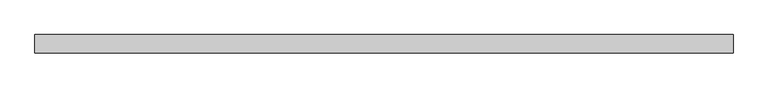
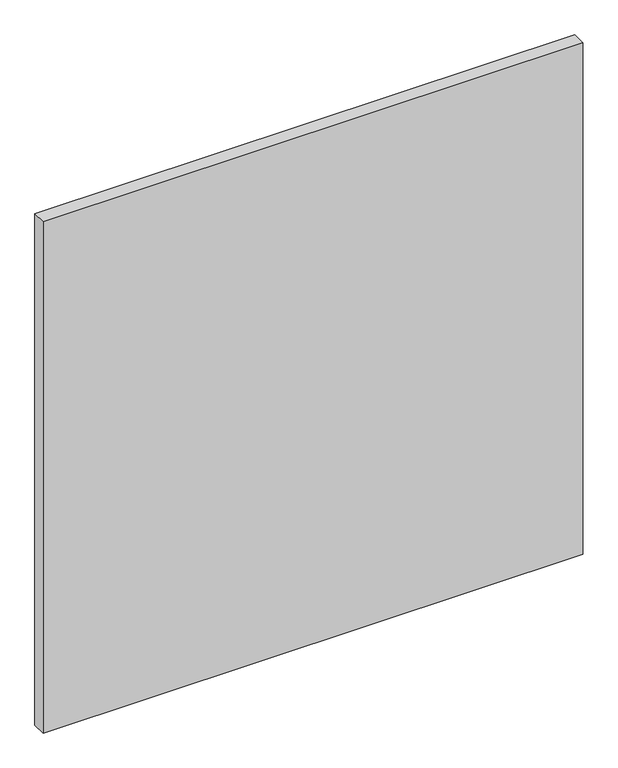
"""IFC4 building model written with IfcOpenShell, lengths in millimetres: plate geometry."""

from ifc_helpers import new_model, si_unit, origin, origin_with_axes, place, context, project, spatial, polyline, outline, extrude, source, transform, mapped, element, save


def plate_bedce0da(model_context):
    return source(origin(), model_context, "Body", "SweptSolid", [
        extrude(outline(polyline([(670.9320652, -17.5), (-670.9320652, -17.5), (-670.9320652, 17.5), (670.9320652, 17.5), (670.9320652, -17.5)])), origin_with_axes(), (0.0, 0.0, 1.0), 1343.5240882),
    ])


if __name__ == "__main__":
    model = new_model("IFC4")
    model_context = context("Model", 3, world=origin())
    ifc_project = project(units=[si_unit("LENGTHUNIT", "METRE", prefix="MILLI")], contexts=[model_context])
    site = spatial("IfcSite", under=ifc_project)
    building = spatial("IfcBuilding", under=site)
    placement = place(None, origin())
    plate_shape = plate_bedce0da(model_context)
    element("IfcPlate", 1, at=placement, inside=building, context=model_context, shape_type="MappedRepresentation", body=[
        mapped(plate_shape, transform((0.0, 0.0, 0.0), x_axis=(1.0, 0.0, 0.0), y_axis=(0.0, 1.0, 0.0), z_axis=(0.0, 0.0, 1.0))),
    ])
    save(model, "model.ifc")
